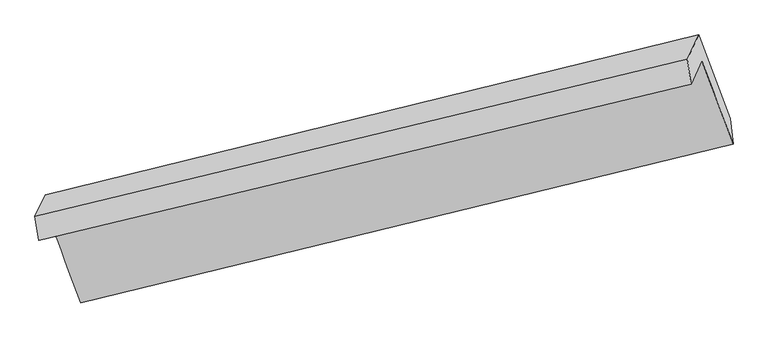
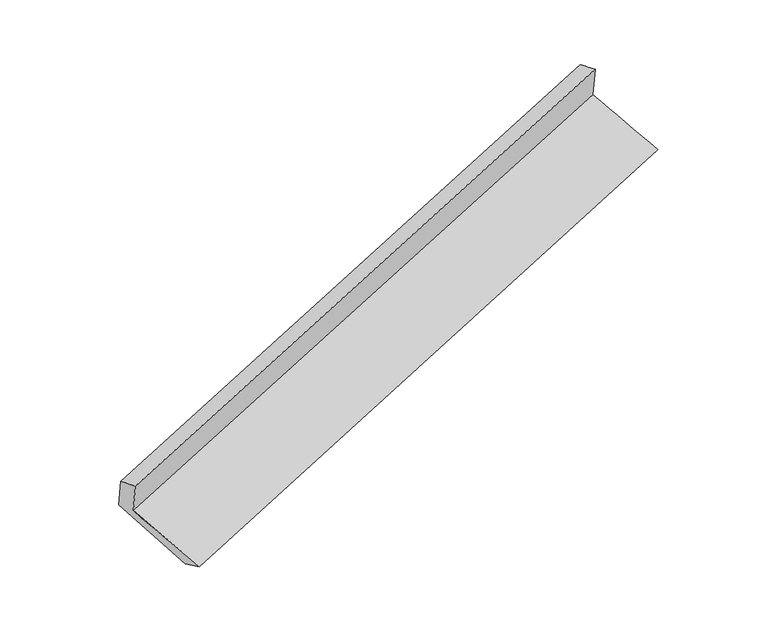
"""IFC4 building model written with IfcOpenShell, lengths in millimetres: proxy geometry."""

from ifc_helpers import new_model, si_unit, frame, origin, place, context, project, spatial, source, transform, mapped, element, save
from ifc_brep_helpers import plane_surface, spline_surface, advanced_brep


def generic_models_f2c18dcb(model_context):
    return source(origin(), model_context, "Body", "AdvancedBrep", [
        advanced_brep(
        [(-5233.4201946, -1902.9951511, 1150.9025619), (-5006.0221683, -2509.9390775, 921.1827014), (-340.4526034, -1370.7424924, 2453.094196), (-564.0950549, -774.9731687, 2678.4927656), (-5307.8716619, -2063.1376029, 1500.3167205), (-641.4026848, -941.2591245, 3041.3114102), (-5334.8680682, -1891.8746538, 1451.7850125), (-667.6693525, -765.581793, 2986.8779782), (-5262.6051162, -1736.4396205, 1112.641951), (-586.0664456, -590.0568496, 2603.9008244), (-5026.1395761, -2333.6710139, 847.8481405), (-361.6182359, -1187.9726622, 2377.6901695)],
        [
            (0, 1),
            (1, 2),
            (2, 3),
            (3, 0),
            (4, 0),
            (3, 5),
            (5, 4),
            (6, 4),
            (5, 7),
            (7, 6),
            (8, 6),
            (7, 9),
            (9, 8),
            (10, 8),
            (9, 11),
            (11, 10),
            (1, 10),
            (11, 2),
        ],
        [
            spline_surface(1, 1, [[(-5233.4201946, -1902.9951511, 1150.9025619), (-564.0950549, -774.9731687, 2678.4927656)], [(-5006.0221683, -2509.9390775, 921.1827014), (-340.4526034, -1370.7424924, 2453.094196)]], [2, 2], [2, 2], [0.0, 1.0], [0.0, 1.0]),
            plane_surface(frame((-5270.6459282, -1983.066377, 1325.6096412), z_axis=(0.3236838435652245, -0.8843628949697845, -0.3363495791814009), x_axis=(0.19016566304800397, 0.40903956142433495, -0.892481740870535))),
            spline_surface(1, 1, [[(-5334.8680682, -1891.8746538, 1451.7850125), (-667.6693525, -765.581793, 2986.8779782)], [(-5307.8716619, -2063.1376029, 1500.3167205), (-641.4026848, -941.2591245, 3041.3114102)]], [2, 2], [2, 2], [0.0, 1.0], [0.0, 1.0]),
            plane_surface(frame((-5298.7365922, -1814.1571372, 1282.2134818), z_axis=(-0.32399323423554277, 0.8842877617685805, 0.3362492209000747), x_axis=(-0.19016566304800414, -0.409039561424337, 0.892481740870534))),
            spline_surface(1, 1, [[(-5026.1395761, -2333.6710139, 847.8481405), (-361.6182359, -1187.9726622, 2377.6901695)], [(-5262.6051162, -1736.4396205, 1112.641951), (-586.0664456, -590.0568496, 2603.9008244)]], [2, 2], [2, 2], [0.0, 1.0], [0.0, 1.0]),
            spline_surface(1, 1, [[(-5006.0221683, -2509.9390775, 921.1827014), (-340.4526034, -1370.7424924, 2453.094196)], [(-5026.1395761, -2333.6710139, 847.8481405), (-361.6182359, -1187.9726622, 2377.6901695)]], [2, 2], [2, 2], [0.0, 1.0], [0.0, 1.0]),
            plane_surface(frame((-526.8840628, -938.4310151, 2690.2278907), z_axis=(0.9241728962618095, 0.23216334099506833, 0.3033226679842215), x_axis=(-0.19016566304800414, -0.409039561424337, 0.892481740870534))),
            plane_surface(frame((-5195.1544642, -2073.00952, 1164.112848), z_axis=(-0.9243819237623717, -0.23160596771363434, -0.30311175289125264), x_axis=(-0.3306887957262675, 0.8826354360149059, 0.3340652742682004))),
        ],
        [
            (0, [[1, 2, 3, 4]]),
            (1, [[5, -4, 6, 7]]),
            (2, [[8, -7, 9, 10]]),
            (3, [[11, -10, 12, 13]]),
            (4, [[14, -13, 15, 16]]),
            (5, [[17, -16, 18, -2]]),
            (6, [[-12, -9, -6, -3, -18, -15]]),
            (7, [[-1, -5, -8, -11, -14, -17]]),
        ],
    ),
    ])


if __name__ == "__main__":
    model = new_model("IFC4")
    model_context = context("Model", 3, world=origin())
    ifc_project = project(units=[si_unit("LENGTHUNIT", "METRE", prefix="MILLI")], contexts=[model_context])
    site = spatial("IfcSite", under=ifc_project)
    building = spatial("IfcBuilding", under=site)
    placement = place(None, origin())
    generic_models_shape = generic_models_f2c18dcb(model_context)
    element("IfcBuildingElementProxy", 1, Name="Generic Models", at=placement, inside=building, context=model_context, shape_type="MappedRepresentation", body=[
        mapped(generic_models_shape, transform((0.0, 0.0, 0.0), x_axis=(1.0, 0.0, 0.0), y_axis=(0.0, 1.0, 0.0), z_axis=(0.0, 0.0, 1.0))),
    ])
    save(model, "model.ifc")
